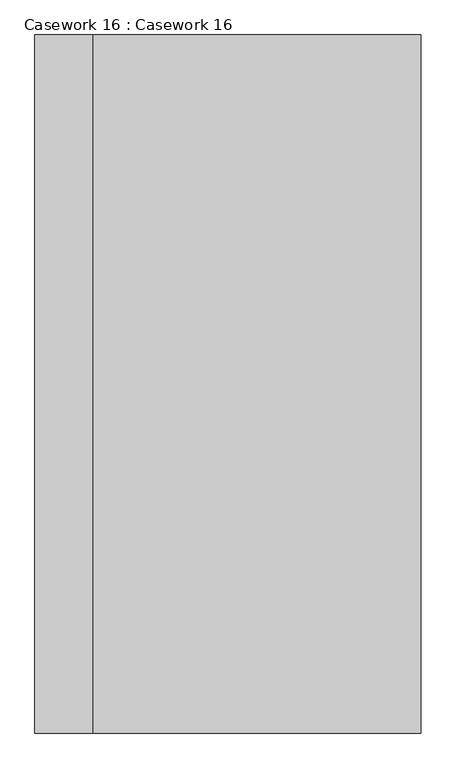
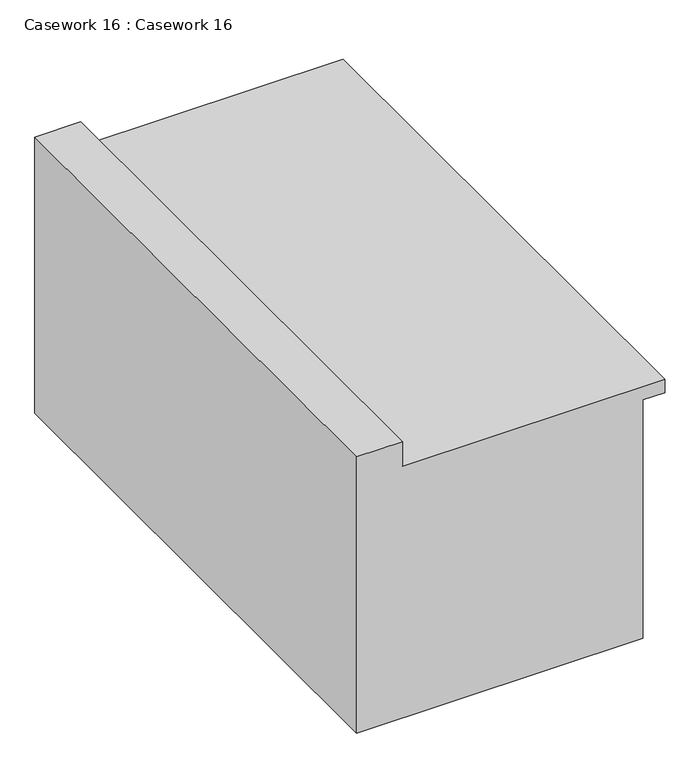
"""IFC4 building model written with IfcOpenShell, lengths in millimetres: furniture geometry, Casework 16 : Casework 16."""

from ifc_helpers import new_model, si_unit, frame, origin, place, context, project, spatial, polyline, outline, extrude, source, transform, mapped, element, save


def casework_16_casework_16_b02fe4ee(model_context):
    return source(origin(), model_context, "Body", "SweptSolid", [
        extrude(outline(polyline([(-5686.9767854, -24163.0375594), (-5686.9767854, -24315.4375594), (-6654.8, -24315.4375594), (-6654.8, -23366.1125594), (-5820.3267854, -23366.1125594), (-5820.3267854, -23293.0875594), (-5772.7017854, -23293.0875594), (-5772.7017854, -24163.0375594), (-5686.9767854, -24163.0375594)])), frame((0.0, 2244.8502218, 0.0), z_axis=(0.0, 1.0, 0.0), x_axis=(0.0, 0.0, 1.0)), (0.0, 0.0, 1.0), 1846.6447336),
    ])


if __name__ == "__main__":
    model = new_model("IFC4")
    model_context = context("Model", 3, world=origin())
    ifc_project = project(units=[si_unit("LENGTHUNIT", "METRE", prefix="MILLI")], contexts=[model_context])
    site = spatial("IfcSite", under=ifc_project)
    building = spatial("IfcBuilding", under=site)
    placement = place(None, origin())
    casework_16_casework_16_shape = casework_16_casework_16_b02fe4ee(model_context)
    element("IfcFurniture", 1, ObjectType="Casework 16 : Casework 16", at=placement, inside=building, context=model_context, shape_type="MappedRepresentation", body=[
        mapped(casework_16_casework_16_shape, transform((0.0, 0.0, 0.0), x_axis=(1.0, 0.0, 0.0), y_axis=(0.0, 1.0, 0.0), z_axis=(0.0, 0.0, 1.0))),
    ])
    save(model, "model.ifc")
